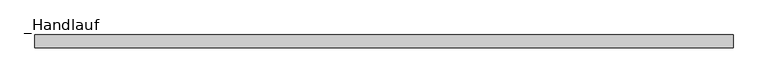
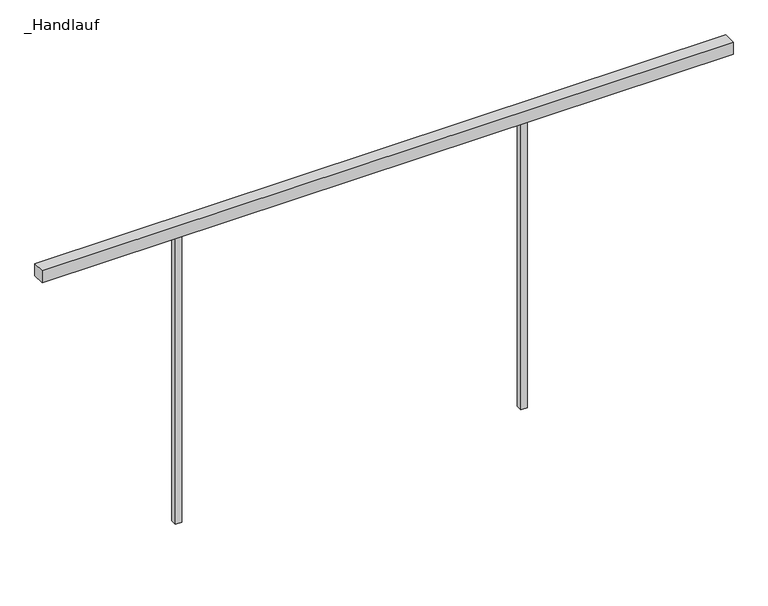
"""IFC4 building model written with IfcOpenShell, lengths in millimetres: railing geometry, _Handlauf."""

from ifc_helpers import new_model, si_unit, frame, origin, place, context, project, spatial, polyline, outline, extrude, source, transform, mapped, element, save


def handlauf_dca428b4(model_context):
    return source(origin(), model_context, "Body", "SweptSolid", [
        extrude(outline(polyline([(4180.0, 2300.0), (4180.0, 2260.0), (2000.0, 2260.0), (2000.0, 2300.0), (4180.0, 2300.0)])), frame((0.0, 0.0, 7960.0), z_axis=(0.0, 0.0, 1.0), x_axis=(1.0, 0.0, 0.0)), (0.0, 0.0, 1.0), 40.0),
        extrude(outline(polyline([(2446.0, 2290.0), (2446.0, 2270.0), (2426.0, 2270.0), (2426.0, 2290.0), (2446.0, 2290.0)])), frame((0.0, 0.0, 7000.0), z_axis=(0.0, 0.0, 1.0), x_axis=(1.0, 0.0, 0.0)), (0.0, 0.0, 1.0), 960.0),
        extrude(outline(polyline([(3536.0, 2290.0), (3536.0, 2270.0), (3516.0, 2270.0), (3516.0, 2290.0), (3536.0, 2290.0)])), frame((0.0, 0.0, 7000.0), z_axis=(0.0, 0.0, 1.0), x_axis=(1.0, 0.0, 0.0)), (0.0, 0.0, 1.0), 960.0),
    ])


if __name__ == "__main__":
    model = new_model("IFC4")
    model_context = context("Model", 3, world=origin())
    ifc_project = project(units=[si_unit("LENGTHUNIT", "METRE", prefix="MILLI")], contexts=[model_context])
    site = spatial("IfcSite", under=ifc_project)
    building = spatial("IfcBuilding", under=site)
    placement = place(None, origin())
    handlauf_shape = handlauf_dca428b4(model_context)
    element("IfcRailing", 1, ObjectType="_Handlauf", at=placement, inside=building, context=model_context, shape_type="MappedRepresentation", body=[
        mapped(handlauf_shape, transform((0.0, 0.0, 0.0), x_axis=(1.0, 0.0, 0.0), y_axis=(0.0, 1.0, 0.0), z_axis=(0.0, 0.0, 1.0))),
    ])
    save(model, "model.ifc")
